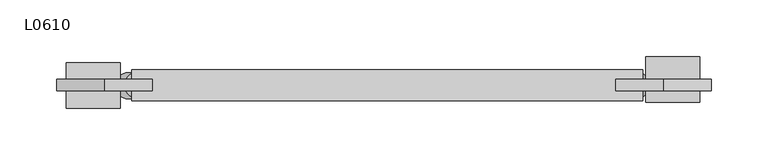
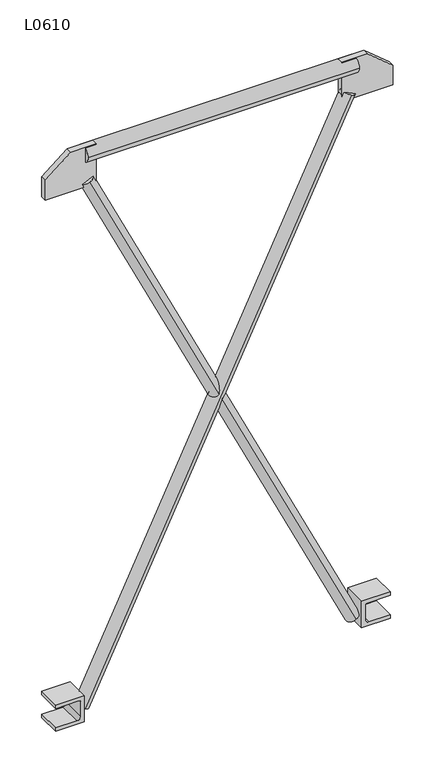
"""IFC4 building model written with IfcOpenShell, lengths in millimetres: proxy geometry, L0610."""

from ifc_helpers import new_model, si_unit, point, frame, frame_2d, origin, place, context, project, spatial, polyline, circle_curve, trimmed, segment, composite_curve, outline, extrude, source, transform, mapped, element, save


def l0610_7c840490(model_context):
    return source(origin(), model_context, "Body", "SweptSolid", [
        extrude(outline(polyline([(0.0, 97.948117), (69.6, 97.948117), (69.6, 55.848117), (34.8, 13.748117), (0.0, 13.748117), (0.0, 97.948117)])), frame((0.0, -5.0, 0.0), z_axis=(0.0, 1.0, 0.0), x_axis=(0.0, 0.0, 1.0)), (0.0, 0.0, 1.0), 10.0),
        extrude(outline(composite_curve([segment(polyline([(-925.0, 22.28005), (-925.0, 69.8), (-879.0, 69.8), (-879.0, 22.28005), (-885.0, 22.28005), (-885.0, 60.8)]), True, "CONTINUOUS"), segment(trimmed(circle_curve(frame_2d((-888.0, 60.8)), 3.0), [point((-885.0, 60.8))], [point((-888.0, 63.8))], True, "CARTESIAN"), True, "CONTINUOUS"), segment(polyline([(-888.0, 63.8), (-913.0, 63.8)]), True, "CONTINUOUS"), segment(trimmed(circle_curve(frame_2d((-913.0, 57.8)), 6.0), [point((-913.0, 63.8))], [point((-919.0, 57.8))], True, "CARTESIAN"), True, "CONTINUOUS"), segment(polyline([(-919.0, 57.8), (-919.0, 22.28005), (-925.0, 22.28005)]), True, "CONTINUOUS")], self_intersect=False)), frame((0.0, -20.0, 0.0), z_axis=(0.0, 1.0, 0.0), x_axis=(0.0, 0.0, 1.0)), (0.0, 0.0, 1.0), 40.0),
        extrude(outline(polyline([(0.0, 506.25424), (0.0, 590.45424), (34.8, 590.45424), (69.6, 548.35424), (69.6, 506.25424), (0.0, 506.25424)])), frame((0.0, -5.0, 0.0), z_axis=(0.0, 1.0, 0.0), x_axis=(0.0, 0.0, 1.0)), (0.0, 0.0, 1.0), 10.0),
        extrude(outline(composite_curve([segment(polyline([(-925.0, 580.421064), (-919.0, 580.421064), (-919.0, 544.901114)]), True, "CONTINUOUS"), segment(trimmed(circle_curve(frame_2d((-913.0, 544.901114)), 6.0), [point((-919.0, 544.901114))], [point((-913.0, 538.901114))], True, "CARTESIAN"), True, "CONTINUOUS"), segment(polyline([(-913.0, 538.901114), (-888.0, 538.901114)]), True, "CONTINUOUS"), segment(trimmed(circle_curve(frame_2d((-888.0, 541.901114)), 3.0), [point((-888.0, 538.901114))], [point((-885.0, 541.901114))], True, "CARTESIAN"), True, "CONTINUOUS"), segment(polyline([(-885.0, 541.901114), (-885.0, 580.421064), (-879.0, 580.421064), (-879.0, 532.901114), (-925.0, 532.901114), (-925.0, 580.421064)]), True, "CONTINUOUS")], self_intersect=False)), frame((0.0, -15.0, 0.0), z_axis=(0.0, 1.0, 0.0), x_axis=(0.0, 0.0, 1.0)), (0.0, 0.0, 1.0), 40.0),
        extrude(outline(composite_curve([segment(trimmed(circle_curve(frame_2d((0.0, -11.5415409)), 11.541541), [point((0.0, -23.0830819))], [point((0.0, 0.0))], False, "CARTESIAN"), True, "CONTINUOUS"), segment(trimmed(circle_curve(frame_2d((0.0, -11.5415409)), 11.541541), [point((0.0, 0.0))], [point((0.0, -23.0830819))], False, "CARTESIAN"), True, "CONTINUOUS")], self_intersect=False)), frame((76.5012219, -11.8584525, -909.4383419), z_axis=(0.43266741985061885, 0.0, 0.9015536056163318), x_axis=(-0.9015536056163318, 0.0, 0.43266741985061885)), (0.0, 0.0, 1.0), 1021.5698703),
        extrude(outline(composite_curve([segment(trimmed(circle_curve(frame_2d((0.0, -11.3)), 11.3), [point((0.0, -22.6))], [point((0.0, 0.0))], False, "CARTESIAN"), True, "CONTINUOUS"), segment(trimmed(circle_curve(frame_2d((0.0, -11.3)), 11.3), [point((0.0, 0.0))], [point((0.0, -22.6))], False, "CARTESIAN"), True, "CONTINUOUS")], self_intersect=False)), frame((525.8833569, -11.3, -910.453145), z_axis=(-0.4326674198506165, 0.0, 0.901553605616333), x_axis=(-0.901553605616333, 0.0, -0.4326674198506165)), (0.0, 0.0, 1.0), 1021.5698703),
        extrude(outline(composite_curve([segment(trimmed(circle_curve(frame_2d((0.0, 56.0)), 13.6), [point((-13.6, 56.0))], [point((13.6, 56.0))], False, "CARTESIAN"), True, "CONTINUOUS"), segment(trimmed(circle_curve(frame_2d((0.0, 56.0)), 13.6), [point((13.6, 56.0))], [point((-13.6, 56.0))], False, "CARTESIAN"), True, "CONTINUOUS")], self_intersect=False)), frame((80.0, 0.0, 0.0), z_axis=(1.0, 0.0, 0.0), x_axis=(0.0, 1.0, 0.0)), (0.0, 0.0, 1.0), 450.0),
    ])


if __name__ == "__main__":
    model = new_model("IFC4")
    model_context = context("Model", 3, world=origin())
    ifc_project = project(units=[si_unit("LENGTHUNIT", "METRE", prefix="MILLI")], contexts=[model_context])
    site = spatial("IfcSite", under=ifc_project)
    building = spatial("IfcBuilding", under=site)
    placement = place(None, origin())
    l0610_shape = l0610_7c840490(model_context)
    element("IfcBuildingElementProxy", 1, Name="L0610", ObjectType="L0610", at=placement, inside=building, context=model_context, shape_type="MappedRepresentation", body=[
        mapped(l0610_shape, transform((0.0, 0.0, 0.0), x_axis=(1.0, 0.0, 0.0), y_axis=(0.0, 1.0, 0.0), z_axis=(0.0, 0.0, 1.0))),
    ])
    save(model, "model.ifc")
